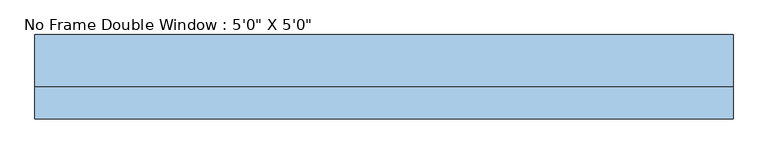
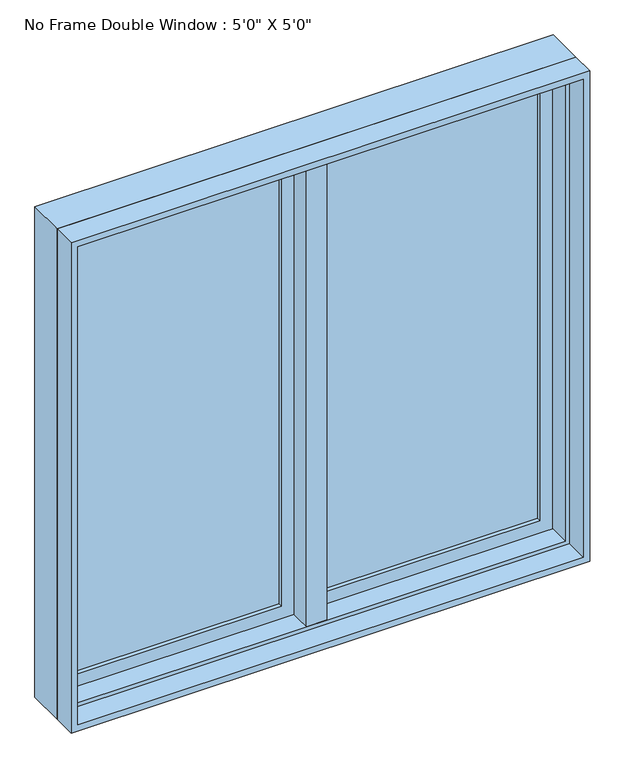
"""IFC4 building model written with IfcOpenShell, lengths in millimetres: window geometry."""

from ifc_helpers import new_model, si_unit, frame, origin, place, context, project, spatial, polyline, outline, extrude, faceted_brep, source, transform, mapped, element, save


def window_097f1505(model_context):
    return source(origin(), model_context, "Body", "SolidModel", [
        faceted_brep([(9.525, 101.6, 2425.7), (-9.525, 101.6, 2425.7), (-9.525, 50.8, 2425.7), (9.525, 50.8, 2425.7), (9.525, 101.6, 927.1), (9.525, 50.8, 927.1), (-9.525, 50.8, 927.1), (-9.525, 101.6, 927.1), (-9.525, 50.8, 946.15), (-9.525, 50.8, 2406.65), (-30.1625, 50.8, 946.15), (-30.1625, 50.8, 2406.65), (-30.1625, -12.7, 946.15), (-30.1625, -12.7, 2406.65), (30.1625, -12.7, 946.15), (30.1625, -12.7, 2406.65), (30.1625, 50.8, 946.15), (30.1625, 50.8, 2406.65), (9.525, 50.8, 946.15), (9.525, 50.8, 2406.65)], [[[0, 1, 2, 3]], [[4, 5, 6, 7]], [[1, 0, 4, 7]], [[2, 1, 7, 6, 8, 9]], [[9, 8, 10, 11]], [[11, 10, 12, 13]], [[13, 12, 14, 15]], [[15, 14, 16, 17]], [[17, 16, 18, 19]], [[0, 3, 19, 18, 5, 4]], [[18, 8, 6, 5]], [[9, 19, 3, 2]], [[8, 18, 16, 14, 12, 10]], [[19, 9, 11, 13, 15, 17]]]),
        extrude(outline(polyline([(-66.675, 82.55), (-66.675, 76.2), (-692.15, 76.2), (-692.15, 82.55), (-66.675, 82.55)])), frame((0.0, 0.0, 984.25), z_axis=(0.0, 0.0, 1.0), x_axis=(1.0, 0.0, 0.0)), (0.0, 0.0, 1.0), 1384.3),
        extrude(outline(polyline([(-692.15, 63.5), (-692.15, 69.85), (-66.675, 69.85), (-66.675, 63.5), (-692.15, 63.5)])), frame((0.0, 0.0, 984.25), z_axis=(0.0, 0.0, 1.0), x_axis=(1.0, 0.0, 0.0)), (0.0, 0.0, 1.0), 1384.3),
        extrude(outline(polyline([(692.15, 82.55), (692.15, 76.2), (66.675, 76.2), (66.675, 82.55), (692.15, 82.55)])), frame((0.0, 0.0, 984.25), z_axis=(0.0, 0.0, 1.0), x_axis=(1.0, 0.0, 0.0)), (0.0, 0.0, 1.0), 1384.3),
        extrude(outline(polyline([(66.675, 63.5), (66.675, 69.85), (692.15, 69.85), (692.15, 63.5), (66.675, 63.5)])), frame((0.0, 0.0, 984.25), z_axis=(0.0, 0.0, 1.0), x_axis=(1.0, 0.0, 0.0)), (0.0, 0.0, 1.0), 1384.3),
        extrude(outline(polyline([(2425.7, -749.3), (927.1, -749.3), (927.1, -9.525), (2425.7, -9.525), (2425.7, -749.3)]), holes=[polyline([(2368.55, -66.675), (984.25, -66.675), (984.25, -692.15), (2368.55, -692.15), (2368.55, -66.675)])]), frame((0.0, 50.8, 0.0), z_axis=(0.0, 1.0, 0.0), x_axis=(0.0, 0.0, 1.0)), (0.0, 0.0, 1.0), 44.45),
        extrude(outline(polyline([(927.1, 749.3), (2425.7, 749.3), (2425.7, 9.525), (927.1, 9.525), (927.1, 749.3)]), holes=[polyline([(984.25, 66.675), (2368.55, 66.675), (2368.55, 692.15), (984.25, 692.15), (984.25, 66.675)])]), frame((0.0, 50.8, 0.0), z_axis=(0.0, 1.0, 0.0), x_axis=(0.0, 0.0, 1.0)), (0.0, 0.0, 1.0), 44.45),
        extrude(outline(polyline([(2438.4, -762.0), (914.4, -762.0), (914.4, 762.0), (2438.4, 762.0), (2438.4, -762.0)]), holes=[polyline([(2419.35, 742.95), (933.45, 742.95), (933.45, -742.95), (2419.35, -742.95), (2419.35, 742.95)])]), frame((0.0, -82.55, 0.0), z_axis=(0.0, 1.0, 0.0), x_axis=(0.0, 0.0, 1.0)), (0.0, 0.0, 1.0), 69.85),
        faceted_brep([(730.25, 50.8, 2406.65), (730.25, -12.7, 2406.65), (-730.25, -12.7, 2406.65), (-730.25, 50.8, 2406.65), (749.3, 101.6, 2425.7), (749.3, 50.8, 2425.7), (-749.3, 50.8, 2425.7), (-749.3, 101.6, 2425.7), (762.0, -12.7, 2438.4), (762.0, 101.6, 2438.4), (-762.0, 101.6, 2438.4), (-762.0, -12.7, 2438.4), (-730.25, -12.7, 946.15), (-730.25, 50.8, 946.15), (-749.3, 50.8, 927.1), (-749.3, 101.6, 927.1), (-762.0, 101.6, 914.4), (-762.0, -12.7, 914.4), (730.25, -12.7, 946.15), (730.25, 50.8, 946.15), (749.3, 50.8, 927.1), (749.3, 101.6, 927.1), (762.0, 101.6, 914.4), (762.0, -12.7, 914.4)], [[[0, 1, 2, 3]], [[4, 5, 6, 7]], [[8, 9, 10, 11]], [[3, 2, 12, 13]], [[7, 6, 14, 15]], [[11, 10, 16, 17]], [[13, 12, 18, 19]], [[15, 14, 20, 21]], [[17, 16, 22, 23]], [[11, 17, 23, 8], [1, 18, 12, 2]], [[19, 18, 1, 0]], [[5, 20, 14, 6], [3, 13, 19, 0]], [[21, 20, 5, 4]], [[23, 22, 9, 8]], [[9, 22, 16, 10], [7, 15, 21, 4]]]),
    ])


if __name__ == "__main__":
    model = new_model("IFC4")
    model_context = context("Model", 3, world=origin())
    ifc_project = project(units=[si_unit("LENGTHUNIT", "METRE", prefix="MILLI")], contexts=[model_context])
    site = spatial("IfcSite", under=ifc_project)
    building = spatial("IfcBuilding", under=site)
    placement = place(None, origin())
    window_shape = window_097f1505(model_context)
    element("IfcWindow", 1, ObjectType="No Frame Double Window : 5'0\" X 5'0\"", at=placement, inside=building, context=model_context, shape_type="MappedRepresentation", body=[
        mapped(window_shape, transform((0.0, 0.0, 0.0), x_axis=(1.0, 0.0, 0.0), y_axis=(0.0, 1.0, 0.0), z_axis=(0.0, 0.0, 1.0))),
    ])
    save(model, "model.ifc")
